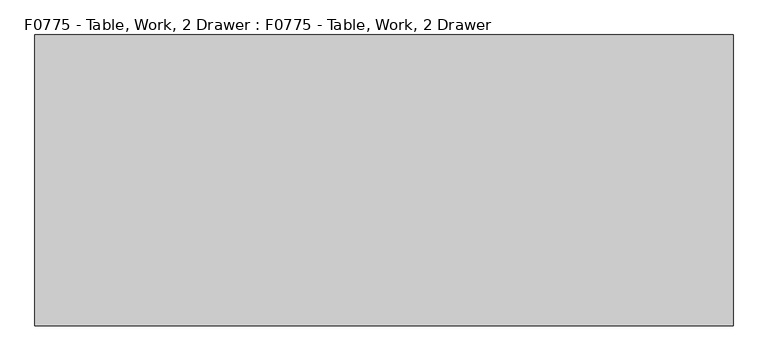
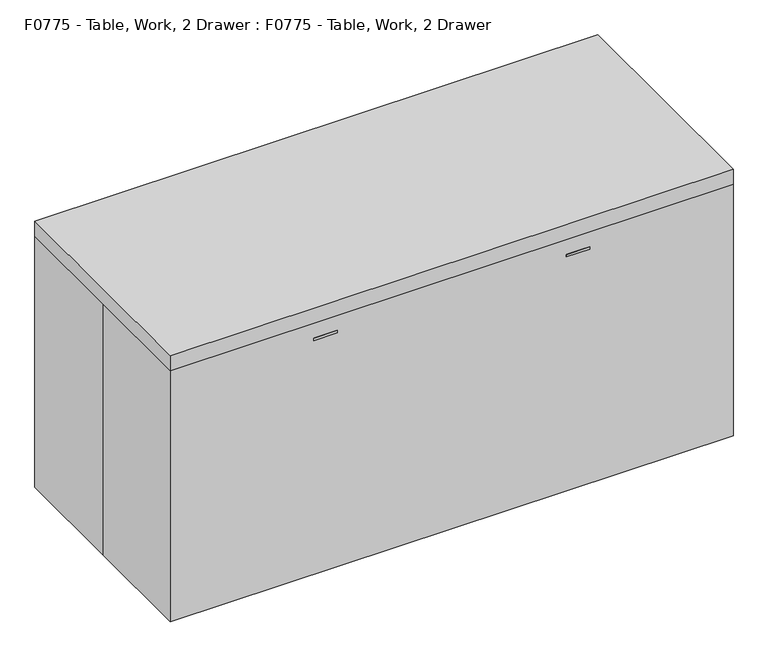
"""IFC4 building model written with IfcOpenShell, lengths in millimetres: proxy geometry, F0775 - Table, Work, 2 Drawer : F0775 - Table, Work, 2 Drawer."""

import ifcopenshell
import ifcopenshell.guid

model = None  # the IFC model being written
_history = None  # IfcOwnerHistory: only IFC2X3 demands one
_inside = {}  # id of a spatial element -> (the spatial element, [elements in it])
_under = {}  # id of a project, library or spatial element -> (it, [spatial elements below it])
_declared = {}  # id of a project -> (the project, [libraries it declares])
_typed = {}  # id of a type object -> (the type object, [elements of that type])
_made_of = {}  # id of a material, layer set ... -> (it, [elements and type objects made of it])


def new_model(schema):
    """Start an empty IFC model of exactly this schema.

    Asked for "IFC4X3", IfcOpenShell would pick the latest addendum, in which some entities
    have other attributes; the version numbers below select the first issue.
    IFC2X3 requires an IfcOwnerHistory on every rooted entity: one is made here for all.
    """
    global model, _history
    if schema == "IFC4X3":
        model = ifcopenshell.file(schema_version=(4, 3, 0, 0))
    else:
        model = ifcopenshell.file(schema=schema)
    _inside.clear()
    _under.clear()
    _declared.clear()
    _typed.clear()
    _made_of.clear()
    _history = None
    if model.schema == "IFC2X3":
        org = make("IfcOrganization", Name="unknown")
        user = make(
            "IfcPersonAndOrganization",
            ThePerson=make("IfcPerson", FamilyName="unknown"),
            TheOrganization=org,
        )
        app = make(
            "IfcApplication",
            ApplicationDeveloper=org,
            Version="unknown",
            ApplicationFullName="unknown",
            ApplicationIdentifier="unknown",
        )
        _history = make(
            "IfcOwnerHistory",
            OwningUser=user,
            OwningApplication=app,
            ChangeAction="ADDED",
            CreationDate=0,
        )
    return model


def make(cls, **values):
    """One entity of the class cls with the attributes given. An attribute that is None is left unset."""
    return model.create_entity(
        cls, **{name: value for name, value in values.items() if value is not None}
    )


def rooted(cls, **values):
    """An entity with a GlobalId (a new one), such as an element, a storey or a relation."""
    return make(cls, GlobalId=ifcopenshell.guid.new(), OwnerHistory=_history, **values)


def si_unit(unit_type, name, prefix=None):
    """IfcSIUnit, for example si_unit("LENGTHUNIT", "METRE", prefix="MILLI")."""
    return make("IfcSIUnit", UnitType=unit_type, Prefix=prefix, Name=name)


def assignment(units):
    """IfcUnitAssignment: the units of a project."""
    return None if units is None else make("IfcUnitAssignment", Units=units)


def point(xyz):
    """IfcCartesianPoint."""
    return None if xyz is None else make("IfcCartesianPoint", Coordinates=xyz)


def direction(xyz):
    """IfcDirection."""
    return None if xyz is None else make("IfcDirection", DirectionRatios=xyz)


def frame(location, z_axis=None, x_axis=None):
    """IfcAxis2Placement3D, a coordinate frame: its origin and axes. An axis left out is left unset."""
    return make(
        "IfcAxis2Placement3D",
        Location=point(location),
        Axis=direction(z_axis),
        RefDirection=direction(x_axis),
    )


def origin():
    """The frame at (0, 0, 0) with its axes left unset."""
    return frame((0.0, 0.0, 0.0))


def origin_with_axes():
    """The frame at (0, 0, 0) with the z axis (0, 0, 1) and the x axis (1, 0, 0) written out."""
    return frame((0.0, 0.0, 0.0), z_axis=(0.0, 0.0, 1.0), x_axis=(1.0, 0.0, 0.0))


def place(relative_to, where):
    """IfcLocalPlacement: puts the frame where relative to a parent placement (None: the world)."""
    return make(
        "IfcLocalPlacement", PlacementRelTo=relative_to, RelativePlacement=where
    )


def context(
    kind, dimensions, precision=None, world=None, true_north=None, identifier=None
):
    """IfcGeometricRepresentationContext, for example the 3D "Model" context."""
    return make(
        "IfcGeometricRepresentationContext",
        ContextIdentifier=identifier,
        ContextType=kind,
        CoordinateSpaceDimension=dimensions,
        Precision=precision,
        WorldCoordinateSystem=world,
        TrueNorth=true_north,
    )


def project(units=None, contexts=None):
    """IfcProject with its units and contexts."""
    return rooted(
        "IfcProject",
        Name="project",
        RepresentationContexts=contexts,
        UnitsInContext=assignment(units),
    )


def spatial(cls, under=None, at=None, **own):
    """A site, building, storey or space (cls), placed at a placement, below another one or the project."""
    s = rooted(cls, ObjectPlacement=at, **own)
    if under is not None:
        _under.setdefault(under.id(), (under, []))[1].append(s)
    return s


def polyline(points):
    """IfcPolyline through the points."""
    return make("IfcPolyline", Points=[point(p) for p in points])


def outline(outer, holes=None, kind="AREA"):
    """IfcArbitraryClosedProfileDef: a profile drawn as a closed curve; with holes, ...WithVoids."""
    if holes is None:
        return make("IfcArbitraryClosedProfileDef", ProfileType=kind, OuterCurve=outer)
    return make(
        "IfcArbitraryProfileDefWithVoids",
        ProfileType=kind,
        OuterCurve=outer,
        InnerCurves=holes,
    )


def extrude(swept, where, along, depth):
    """IfcExtrudedAreaSolid: the profile swept, set in the frame where, extruded along a direction by depth."""
    return make(
        "IfcExtrudedAreaSolid",
        SweptArea=swept,
        Position=where,
        ExtrudedDirection=direction(along),
        Depth=depth,
    )


def shape(context_of_items, identifier, shape_type, items):
    """IfcShapeRepresentation: the items that make up one representation, for example the "Body"."""
    return make(
        "IfcShapeRepresentation",
        ContextOfItems=context_of_items,
        RepresentationIdentifier=identifier,
        RepresentationType=shape_type,
        Items=items,
    )


def source(mapping_origin, context_of_items, identifier, shape_type, items):
    """IfcRepresentationMap: a shape defined once, which mapped items show again and again."""
    return make(
        "IfcRepresentationMap",
        MappingOrigin=mapping_origin,
        MappedRepresentation=shape(context_of_items, identifier, shape_type, items),
    )


def transform(
    local_origin,
    x_axis=None,
    y_axis=None,
    z_axis=None,
    scale=None,
    scale2=None,
    scale3=None,
    uniform=True,
):
    """IfcCartesianTransformationOperator3D, or its non-uniform kind. x_axis, y_axis, z_axis: its Axis1, 2, 3."""
    if uniform:
        return make(
            "IfcCartesianTransformationOperator3D",
            Axis1=direction(x_axis),
            Axis2=direction(y_axis),
            LocalOrigin=point(local_origin),
            Scale=scale,
            Axis3=direction(z_axis),
        )
    return make(
        "IfcCartesianTransformationOperator3DnonUniform",
        Axis1=direction(x_axis),
        Axis2=direction(y_axis),
        LocalOrigin=point(local_origin),
        Scale=scale,
        Axis3=direction(z_axis),
        Scale2=scale2,
        Scale3=scale3,
    )


def mapped(mapping_source, mapping_target):
    """IfcMappedItem: shows the shape of a source again, moved by a transform."""
    return make(
        "IfcMappedItem", MappingSource=mapping_source, MappingTarget=mapping_target
    )


def made_of(thing, what):
    """Note that an element or type object is made of a material, layer set ...; save() writes the relation."""
    if what is not None:
        _made_of.setdefault(what.id(), (what, []))[1].append(thing)
    return thing


def element(
    cls,
    number,
    at=None,
    inside=None,
    cuts=None,
    type_object=None,
    material=None,
    context=None,
    identifier="Body",
    shape_type=None,
    held_by="IfcProductDefinitionShape",
    body=None,
    shapes=None,
    **own,
):
    """One element of the class cls, such as IfcWall. Its Tag is "e" and its number.

    at: its placement. inside: the storey or other place that contains it. cuts: it is an
    opening in that element (IfcRelVoidsElement). A single representation is given by context,
    identifier, shape_type and body (its items); several are given by shapes. held_by: the class
    of the entity that holds the representations. save() writes the other relations.
    """
    e = rooted(cls, Tag="e%d" % number, ObjectPlacement=at, **own)
    if body is not None:
        shapes = [shape(context, identifier, shape_type, body)]
    if shapes is not None:
        e.Representation = make(held_by, Representations=shapes)
    if inside is not None:
        _inside.setdefault(inside.id(), (inside, []))[1].append(e)
    if cuts is not None:
        rooted(
            "IfcRelVoidsElement", RelatingBuildingElement=cuts, RelatedOpeningElement=e
        )
    if type_object is not None:
        _typed.setdefault(type_object.id(), (type_object, []))[1].append(e)
    return made_of(e, material)


def aggregate(whole, parts):
    """IfcRelAggregates: a whole, such as a stair, and the parts it consists of."""
    return rooted("IfcRelAggregates", RelatingObject=whole, RelatedObjects=parts)


def save(model, path):
    """Write the relations noted so far, then the file.

    IfcRelAggregates (storeys below a building ...), IfcRelContainedInSpatialStructure (elements
    in a storey), IfcRelDefinesByType, IfcRelAssociatesMaterial and IfcRelDeclares: one each for
    every whole, place, type object, material and project.
    """
    for whole, parts in _under.values():
        aggregate(whole, parts)
    for where, things in _inside.values():
        rooted(
            "IfcRelContainedInSpatialStructure",
            RelatedElements=things,
            RelatingStructure=where,
        )
    for kind, things in _typed.values():
        rooted("IfcRelDefinesByType", RelatedObjects=things, RelatingType=kind)
    for what, things in _made_of.values():
        rooted("IfcRelAssociatesMaterial", RelatedObjects=things, RelatingMaterial=what)
    for by, libraries in _declared.values():
        rooted("IfcRelDeclares", RelatingContext=by, RelatedDefinitions=libraries)
    model.write(path)


def f0775_table_work_2_drawer_f0775_table_work_2_drawer_e0e453b6(model_context):
    return source(origin(), model_context, "Body", "SweptSolid", [
        extrude(outline(polyline([(-447.8704593, -381.0), (-447.8704593, -365.05733), (-441.5204593, -365.05733), (-441.5204593, -377.75733), (-378.0204593, -377.75733), (-378.0204593, -365.05733), (-371.6704593, -365.05733), (-371.6704593, -381.0), (-447.8704593, -381.0)])), frame((0.0, 0.0, 803.5503382), z_axis=(0.0, 0.0, 1.0), x_axis=(1.0, 0.0, 0.0)), (0.0, 0.0, 1.0), 8.4842742),
        extrude(outline(polyline([(447.8704593, -381.0), (371.6704593, -381.0), (371.6704593, -365.05733), (378.0204593, -365.05733), (378.0204593, -377.75733), (441.5204593, -377.75733), (441.5204593, -365.05733), (447.8704593, -365.05733), (447.8704593, -381.0)])), frame((0.0, 0.0, 803.5503382), z_axis=(0.0, 0.0, 1.0), x_axis=(1.0, 0.0, 0.0)), (0.0, 0.0, 1.0), 8.4842742),
        extrude(outline(polyline([(-66.8704593, -365.05733), (-752.6704593, -365.05733), (-752.6704593, -355.6), (-66.8704593, -355.6), (-66.8704593, -365.05733)])), frame((0.0, 0.0, 762.0), z_axis=(0.0, 0.0, 1.0), x_axis=(1.0, 0.0, 0.0)), (0.0, 0.0, 1.0), 76.2),
        extrude(outline(polyline([(752.6704593, -365.05733), (66.8704593, -365.05733), (66.8704593, -355.6), (752.6704593, -355.6), (752.6704593, -365.05733)])), frame((0.0, 0.0, 762.0), z_axis=(0.0, 0.0, 1.0), x_axis=(1.0, 0.0, 0.0)), (0.0, 0.0, 1.0), 76.2),
        extrude(outline(polyline([(812.8, 355.6), (812.8, -355.6), (-812.8, -355.6), (-812.8, 355.6), (812.8, 355.6)])), frame((0.0, 0.0, 736.6), z_axis=(0.0, 0.0, 1.0), x_axis=(1.0, 0.0, 0.0)), (0.0, 0.0, 1.0), 127.0),
        extrude(outline(polyline([(914.4, 381.0), (914.4, -381.0), (-914.4, -381.0), (-914.4, 381.0), (914.4, 381.0)])), frame((0.0, 0.0, 863.6), z_axis=(0.0, 0.0, 1.0), x_axis=(1.0, 0.0, 0.0)), (0.0, 0.0, 1.0), 50.8),
        extrude(outline(polyline([(-812.8, 355.6), (-812.8, 279.4), (-889.0, 279.4), (-889.0, 355.6), (-812.8, 355.6)])), origin_with_axes(), (0.0, 0.0, 1.0), 863.6),
        extrude(outline(polyline([(812.8, 355.6), (889.0, 355.6), (889.0, 279.4), (812.8, 279.4), (812.8, 355.6)])), origin_with_axes(), (0.0, 0.0, 1.0), 863.6),
        extrude(outline(polyline([(-812.8, -355.6), (-889.0, -355.6), (-889.0, -279.4), (-812.8, -279.4), (-812.8, -355.6)])), origin_with_axes(), (0.0, 0.0, 1.0), 863.6),
        extrude(outline(polyline([(812.8, -355.6), (812.8, -279.4), (889.0, -279.4), (889.0, -355.6), (812.8, -355.6)])), origin_with_axes(), (0.0, 0.0, 1.0), 863.6),
        extrude(outline(polyline([(-914.4, 381.0), (914.4, 381.0), (914.4, -381.0), (-914.4, -381.0), (-914.4, 0.0), (-914.4, 381.0)])), origin_with_axes(), (0.0, 0.0, 1.0), 914.4),
    ])


if __name__ == "__main__":
    model = new_model("IFC4")
    model_context = context("Model", 3, world=origin())
    ifc_project = project(units=[si_unit("LENGTHUNIT", "METRE", prefix="MILLI")], contexts=[model_context])
    site = spatial("IfcSite", under=ifc_project)
    building = spatial("IfcBuilding", under=site)
    placement = place(None, origin())
    f0775_table_work_2_drawer_f0775_table_work_2_drawer_shape = f0775_table_work_2_drawer_f0775_table_work_2_drawer_e0e453b6(model_context)
    element("IfcBuildingElementProxy", 1, Name="F0775 - Table, Work, 2 Drawer : F0775 - Table, Work, 2 Drawer", ObjectType="F0775 - Table, Work, 2 Drawer : F0775 - Table, Work, 2 Drawer", at=placement, inside=building, context=model_context, shape_type="MappedRepresentation", body=[
        mapped(f0775_table_work_2_drawer_f0775_table_work_2_drawer_shape, transform((0.0, 0.0, 0.0), x_axis=(1.0, 0.0, 0.0), y_axis=(0.0, 1.0, 0.0), z_axis=(0.0, 0.0, 1.0))),
    ])
    save(model, "model.ifc")
